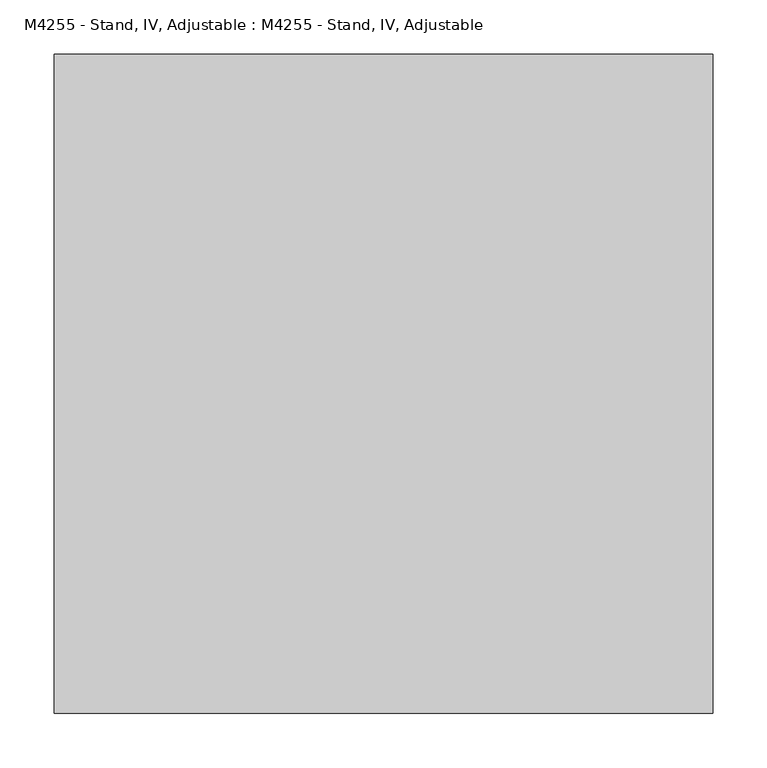
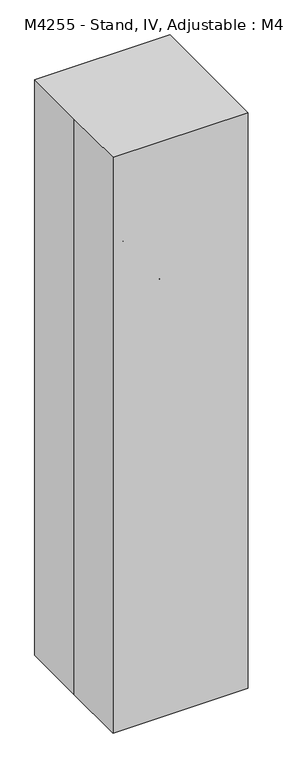
"""IFC4 building model written with IfcOpenShell, lengths in millimetres: proxy geometry, M4255 - Stand, IV, Adjustable : M4255 - Stand, IV, Adjustable."""

from ifc_helpers import new_model, si_unit, point, frame, frame_2d, origin, origin_with_axes, origin_2d, place, context, project, spatial, polyline, circle_curve, ellipse_curve, trimmed, segment, composite_curve, outline, extrude, source, transform, mapped, element, save
from ifc_brep_helpers import plane_surface, cylinder_surface, revolved_surface, advanced_brep


def m4255_stand_iv_adjustable_m4255_stand_iv_adjustable_6bb1da7f(model_context):
    return source(origin(), model_context, "Body", "SolidModel", [
        extrude(outline(composite_curve([segment(trimmed(circle_curve(frame_2d((25.4, -203.0677083)), 25.4), [point((25.4, -228.4677083))], [point((25.4, -177.6677083))], False, "CARTESIAN"), True, "CONTINUOUS"), segment(trimmed(circle_curve(frame_2d((25.4, -203.0677083)), 25.4), [point((25.4, -177.6677083))], [point((25.4, -228.4677083))], False, "CARTESIAN"), True, "CONTINUOUS")], self_intersect=False)), frame((0.0, 9.525, 0.0), z_axis=(0.0, 1.0, 0.0), x_axis=(0.0, 0.0, 1.0)), (0.0, 0.0, 1.0), 9.525),
        extrude(outline(composite_curve([segment(trimmed(circle_curve(frame_2d((25.4, -203.0677083)), 25.4), [point((25.4, -177.6677083))], [point((25.4, -228.4677083))], False, "CARTESIAN"), True, "CONTINUOUS"), segment(trimmed(circle_curve(frame_2d((25.4, -203.0677083)), 25.4), [point((25.4, -228.4677083))], [point((25.4, -177.6677083))], False, "CARTESIAN"), True, "CONTINUOUS")], self_intersect=False)), frame((0.0, -19.05, 0.0), z_axis=(0.0, 1.0, 0.0), x_axis=(0.0, 0.0, 1.0)), (0.0, 0.0, 1.0), 9.525),
        extrude(outline(composite_curve([segment(trimmed(circle_curve(frame_2d((203.0677083, 25.4)), 25.4), [point((228.4677083, 25.4))], [point((177.6677083, 25.4))], False, "CARTESIAN"), True, "CONTINUOUS"), segment(trimmed(circle_curve(frame_2d((203.0677083, 25.4)), 25.4), [point((177.6677083, 25.4))], [point((228.4677083, 25.4))], False, "CARTESIAN"), True, "CONTINUOUS")], self_intersect=False)), frame((9.525, 0.0, 0.0), z_axis=(1.0, 0.0, 0.0), x_axis=(0.0, 1.0, 0.0)), (0.0, 0.0, 1.0), 9.525),
        extrude(outline(composite_curve([segment(trimmed(circle_curve(frame_2d((203.0677083, 25.4)), 25.4), [point((177.6677083, 25.4))], [point((228.4677083, 25.4))], False, "CARTESIAN"), True, "CONTINUOUS"), segment(trimmed(circle_curve(frame_2d((203.0677083, 25.4)), 25.4), [point((228.4677083, 25.4))], [point((177.6677083, 25.4))], False, "CARTESIAN"), True, "CONTINUOUS")], self_intersect=False)), frame((-19.05, 0.0, 0.0), z_axis=(1.0, 0.0, 0.0), x_axis=(0.0, 1.0, 0.0)), (0.0, 0.0, 1.0), 9.525),
        extrude(outline(composite_curve([segment(trimmed(circle_curve(frame_2d((25.4, 203.2661458)), 25.4), [point((25.4, 177.8661458))], [point((25.4, 228.6661458))], False, "CARTESIAN"), True, "CONTINUOUS"), segment(trimmed(circle_curve(frame_2d((25.4, 203.2661458)), 25.4), [point((25.4, 228.6661458))], [point((25.4, 177.8661458))], False, "CARTESIAN"), True, "CONTINUOUS")], self_intersect=False)), frame((0.0, -19.05, 0.0), z_axis=(0.0, 1.0, 0.0), x_axis=(0.0, 0.0, 1.0)), (0.0, 0.0, 1.0), 9.525),
        extrude(outline(composite_curve([segment(trimmed(circle_curve(frame_2d((25.4, 203.2661458)), 25.4), [point((25.4, 177.8661458))], [point((25.4, 228.6661458))], False, "CARTESIAN"), True, "CONTINUOUS"), segment(trimmed(circle_curve(frame_2d((25.4, 203.2661458)), 25.4), [point((25.4, 228.6661458))], [point((25.4, 177.8661458))], False, "CARTESIAN"), True, "CONTINUOUS")], self_intersect=False)), frame((0.0, 9.525, 0.0), z_axis=(0.0, 1.0, 0.0), x_axis=(0.0, 0.0, 1.0)), (0.0, 0.0, 1.0), 9.525),
        extrude(outline(composite_curve([segment(trimmed(circle_curve(frame_2d((0.0, 211.534375)), 8.4666667), [point((-8.4666667, 211.534375))], [point((8.4666667, 211.534375))], False, "CARTESIAN"), True, "CONTINUOUS"), segment(trimmed(circle_curve(frame_2d((0.0, 211.534375)), 8.4666667), [point((8.4666667, 211.534375))], [point((-8.4666667, 211.534375))], False, "CARTESIAN"), True, "CONTINUOUS")], self_intersect=False)), frame((0.0, 0.0, 25.4), z_axis=(0.0, 0.0, 1.0), x_axis=(1.0, 0.0, 0.0)), (0.0, 0.0, 1.0), 25.4),
        extrude(outline(composite_curve([segment(trimmed(circle_curve(frame_2d((203.0677083, 25.4)), 16.9333333), [point((186.134375, 25.4))], [point((220.0010417, 25.4))], False, "CARTESIAN"), True, "CONTINUOUS"), segment(trimmed(circle_curve(frame_2d((203.0677083, 25.4)), 16.9333333), [point((220.0010417, 25.4))], [point((186.134375, 25.4))], False, "CARTESIAN"), True, "CONTINUOUS")], self_intersect=False)), frame((-9.525, 0.0, 0.0), z_axis=(1.0, 0.0, 0.0), x_axis=(0.0, 1.0, 0.0)), (0.0, 0.0, 1.0), 19.05),
        extrude(outline(composite_curve([segment(trimmed(circle_curve(frame_2d((211.7328125, 0.0)), 8.4666667), [point((211.7328125, 8.4666667))], [point((211.7328125, -8.4666667))], False, "CARTESIAN"), True, "CONTINUOUS"), segment(trimmed(circle_curve(frame_2d((211.7328125, 0.0)), 8.4666667), [point((211.7328125, -8.4666667))], [point((211.7328125, 8.4666667))], False, "CARTESIAN"), True, "CONTINUOUS")], self_intersect=False)), frame((0.0, 0.0, 25.4), z_axis=(0.0, 0.0, 1.0), x_axis=(1.0, 0.0, 0.0)), (0.0, 0.0, 1.0), 25.4),
        extrude(outline(composite_curve([segment(trimmed(circle_curve(frame_2d((25.4, 203.2661458)), 16.9333333), [point((25.4, 186.3328125))], [point((25.4, 220.1994792))], False, "CARTESIAN"), True, "CONTINUOUS"), segment(trimmed(circle_curve(frame_2d((25.4, 203.2661458)), 16.9333333), [point((25.4, 220.1994792))], [point((25.4, 186.3328125))], False, "CARTESIAN"), True, "CONTINUOUS")], self_intersect=False)), frame((0.0, -9.525, 0.0), z_axis=(0.0, 1.0, 0.0), x_axis=(0.0, 0.0, 1.0)), (0.0, 0.0, 1.0), 19.05),
        extrude(outline(composite_curve([segment(trimmed(circle_curve(frame_2d((-211.534375, 0.0)), 8.4666667), [point((-211.534375, -8.4666667))], [point((-211.534375, 8.4666667))], False, "CARTESIAN"), True, "CONTINUOUS"), segment(trimmed(circle_curve(frame_2d((-211.534375, 0.0)), 8.4666667), [point((-211.534375, 8.4666667))], [point((-211.534375, -8.4666667))], False, "CARTESIAN"), True, "CONTINUOUS")], self_intersect=False)), frame((0.0, 0.0, 25.4), z_axis=(0.0, 0.0, 1.0), x_axis=(1.0, 0.0, 0.0)), (0.0, 0.0, 1.0), 25.4),
        extrude(outline(composite_curve([segment(trimmed(circle_curve(frame_2d((25.4, -203.0677083)), 16.9333333), [point((25.4, -186.134375))], [point((25.4, -220.0010417))], False, "CARTESIAN"), True, "CONTINUOUS"), segment(trimmed(circle_curve(frame_2d((25.4, -203.0677083)), 16.9333333), [point((25.4, -220.0010417))], [point((25.4, -186.134375))], False, "CARTESIAN"), True, "CONTINUOUS")], self_intersect=False)), frame((0.0, -9.525, 0.0), z_axis=(0.0, 1.0, 0.0), x_axis=(0.0, 0.0, 1.0)), (0.0, 0.0, 1.0), 19.05),
        extrude(outline(composite_curve([segment(trimmed(circle_curve(frame_2d((-203.2165365, 25.4)), 25.4), [point((-177.8165365, 25.4))], [point((-228.6165365, 25.4))], False, "CARTESIAN"), True, "CONTINUOUS"), segment(trimmed(circle_curve(frame_2d((-203.2165365, 25.4)), 25.4), [point((-228.6165365, 25.4))], [point((-177.8165365, 25.4))], False, "CARTESIAN"), True, "CONTINUOUS")], self_intersect=False)), frame((-19.05, 0.0, 0.0), z_axis=(1.0, 0.0, 0.0), x_axis=(0.0, 1.0, 0.0)), (0.0, 0.0, 1.0), 9.525),
        extrude(outline(composite_curve([segment(trimmed(circle_curve(frame_2d((-203.2165365, 25.4)), 25.4), [point((-177.8165365, 25.4))], [point((-228.6165365, 25.4))], False, "CARTESIAN"), True, "CONTINUOUS"), segment(trimmed(circle_curve(frame_2d((-203.2165365, 25.4)), 25.4), [point((-228.6165365, 25.4))], [point((-177.8165365, 25.4))], False, "CARTESIAN"), True, "CONTINUOUS")], self_intersect=False)), frame((9.525, 0.0, 0.0), z_axis=(1.0, 0.0, 0.0), x_axis=(0.0, 1.0, 0.0)), (0.0, 0.0, 1.0), 9.525),
        extrude(outline(composite_curve([segment(trimmed(circle_curve(frame_2d((0.0, -211.6832031)), 8.4666667), [point((8.4666667, -211.6832031))], [point((-8.4666667, -211.6832031))], False, "CARTESIAN"), True, "CONTINUOUS"), segment(trimmed(circle_curve(frame_2d((0.0, -211.6832031)), 8.4666667), [point((-8.4666667, -211.6832031))], [point((8.4666667, -211.6832031))], False, "CARTESIAN"), True, "CONTINUOUS")], self_intersect=False)), frame((0.0, 0.0, 25.4), z_axis=(0.0, 0.0, 1.0), x_axis=(1.0, 0.0, 0.0)), (0.0, 0.0, 1.0), 25.4),
        extrude(outline(composite_curve([segment(trimmed(circle_curve(frame_2d((-203.2165365, 25.4)), 16.9333333), [point((-186.2832031, 25.4))], [point((-220.1498698, 25.4))], False, "CARTESIAN"), True, "CONTINUOUS"), segment(trimmed(circle_curve(frame_2d((-203.2165365, 25.4)), 16.9333333), [point((-220.1498698, 25.4))], [point((-186.2832031, 25.4))], False, "CARTESIAN"), True, "CONTINUOUS")], self_intersect=False)), frame((-9.525, 0.0, 0.0), z_axis=(1.0, 0.0, 0.0), x_axis=(0.0, 1.0, 0.0)), (0.0, 0.0, 1.0), 19.05),
        extrude(outline(polyline([(-228.6, 63.5), (-192.6166667, 63.5), (-44.45, 25.4), (44.45, 25.4), (192.6166667, 63.5), (228.6, 63.5), (228.6, 50.8), (193.8216772, 50.8), (45.6550105, 12.7), (-45.6550105, 12.7), (-193.8216772, 50.8), (-228.6, 50.8), (-228.6, 63.5)])), frame((-19.05, 0.0, 0.0), z_axis=(1.0, 0.0, 0.0), x_axis=(0.0, 1.0, 0.0)), (0.0, 0.0, 1.0), 38.1),
        extrude(outline(composite_curve([segment(trimmed(circle_curve(origin_2d(), 12.7), [point((-12.7, 0.0))], [point((12.7, 0.0))], False, "CARTESIAN"), True, "CONTINUOUS"), segment(trimmed(circle_curve(origin_2d(), 12.7), [point((12.7, 0.0))], [point((-12.7, 0.0))], False, "CARTESIAN"), True, "CONTINUOUS")], self_intersect=False)), frame((0.0, 0.0, 12.7), z_axis=(0.0, 0.0, 1.0), x_axis=(1.0, 0.0, 0.0)), (0.0, 0.0, 1.0), 1473.2),
        extrude(outline(polyline([(63.5, -228.6), (50.8, -228.6), (50.8, -193.8216772), (12.7, -45.6550105), (12.7, 45.6550105), (50.8, 193.8216772), (50.8, 228.6), (63.5, 228.6), (63.5, 192.6166667), (25.4, 44.45), (25.4, -44.45), (63.5, -192.6166667), (63.5, -228.6)])), frame((0.0, -19.05, 0.0), z_axis=(0.0, 1.0, 0.0), x_axis=(0.0, 0.0, 1.0)), (0.0, 0.0, 1.0), 38.1),
        extrude(outline(composite_curve([segment(trimmed(circle_curve(origin_2d(), 6.35), [point((-6.35, 0.0))], [point((6.35, 0.0))], False, "CARTESIAN"), True, "CONTINUOUS"), segment(trimmed(circle_curve(origin_2d(), 6.35), [point((6.35, 0.0))], [point((-6.35, 0.0))], False, "CARTESIAN"), True, "CONTINUOUS")], self_intersect=False)), frame((0.0, 0.0, 1485.9), z_axis=(0.0, 0.0, 1.0), x_axis=(1.0, 0.0, 0.0)), (0.0, 0.0, 1.0), 495.3),
        advanced_brep(
        [(0.0, 117.4754217, 1962.0563468), (0.0, 111.8996536, 1954.3338837), (0.0, 135.0535266, 1949.3646141), (0.0, 129.4777585, 1941.6421511), (0.0, 139.7, 1973.2625), (0.0, 139.7, 1963.7375), (0.0, -139.7, 1963.7375), (0.0, -139.7, 1973.2625), (0.0, -129.4777585, 1941.6421511), (0.0, -135.0535266, 1949.3646141), (0.0, -117.4754217, 1962.0563468), (0.0, -111.8996536, 1954.3338837)],
        [
            (0, 1, circle_curve(frame((0.0, 114.6875376, 1958.1951153), z_axis=(0.0, -0.8107572744902805, 0.5853824748496423), x_axis=(0.0, -0.5853824748496423, -0.8107572744902805)), 4.7625)),
            (1, 0, circle_curve(frame((0.0, 114.6875376, 1958.1951153), z_axis=(0.0, -0.8107572744902805, 0.5853824748496423), x_axis=(0.0, -0.5853824748496423, -0.8107572744902805)), 4.7625)),
            (0, 2),
            (2, 3, circle_curve(frame((0.0, 132.2656426, 1945.5033826), z_axis=(0.0, -0.8107572744902805, 0.5853824748496423), x_axis=(0.0, -0.5853824748496423, -0.8107572744902805)), 4.7625)),
            (3, 1),
            (3, 2, circle_curve(frame((0.0, 132.2656426, 1945.5033826), z_axis=(0.0, -0.8107572744902805, 0.5853824748496423), x_axis=(0.0, -0.5853824748496423, -0.8107572744902805)), 4.7625)),
            (4, 3, circle_curve(frame((0.0, 139.7, 1955.8), z_axis=(-1.0, 0.0, 0.0), x_axis=(0.0, -0.5853824748496388, -0.810757274490283)), 17.4625)),
            (2, 5, circle_curve(frame((0.0, 139.7, 1955.8), z_axis=(1.0, 0.0, 0.0), x_axis=(0.0, -0.5853824748496388, -0.810757274490283)), 7.9375)),
            (5, 4, circle_curve(frame((0.0, 139.7, 1968.5), z_axis=(0.0, 1.0, 0.0), x_axis=(0.0, 0.0, 1.0)), 4.7625)),
            (4, 5, circle_curve(frame((0.0, 139.7, 1968.5), z_axis=(0.0, 1.0, 0.0), x_axis=(0.0, 0.0, 1.0)), 4.7625)),
            (5, 6),
            (6, 7, circle_curve(frame((0.0, -139.7, 1968.5), z_axis=(0.0, 1.0, 0.0), x_axis=(0.0, 0.0, 1.0)), 4.7625)),
            (7, 4),
            (7, 6, circle_curve(frame((0.0, -139.7, 1968.5), z_axis=(0.0, 1.0, 0.0), x_axis=(0.0, 0.0, 1.0)), 4.7625)),
            (8, 7, circle_curve(frame((0.0, -139.7, 1955.8), z_axis=(-1.0, 0.0, 0.0), x_axis=(0.0, 0.0, 1.0)), 17.4625)),
            (6, 9, circle_curve(frame((0.0, -139.7, 1955.8), z_axis=(1.0, 0.0, 0.0), x_axis=(0.0, 0.0, 1.0)), 7.9375)),
            (9, 8, circle_curve(frame((0.0, -132.2656426, 1945.5033826), z_axis=(0.0, -0.8107572744906172, -0.5853824748491758), x_axis=(0.0, 0.5853824748491758, -0.8107572744906172)), 4.7625)),
            (8, 9, circle_curve(frame((0.0, -132.2656426, 1945.5033826), z_axis=(0.0, -0.8107572744895747, -0.5853824748506197), x_axis=(0.0, 0.5853824748506197, -0.8107572744895747)), 4.7625)),
            (10, 11, circle_curve(frame((0.0, -114.6875376, 1958.1951153), z_axis=(0.0, 0.8107572744898955, 0.5853824748501754), x_axis=(0.0, 0.5853824748501754, -0.8107572744898955)), 4.7625)),
            (11, 10, circle_curve(frame((0.0, -114.6875376, 1958.1951153), z_axis=(0.0, 0.8107572744898955, 0.5853824748501754), x_axis=(0.0, 0.5853824748501754, -0.8107572744898955)), 4.7625)),
            (9, 10),
            (11, 8),
        ],
        [
            plane_surface(frame((266.7, 114.6875376, 1958.1951153), z_axis=(0.0, -0.8107572744902805, 0.5853824748496423), x_axis=(-1.0, 0.0, 0.0))),
            cylinder_surface(frame((0.0, 114.6875376, 1958.1951153), z_axis=(0.0, -0.8107572744902805, 0.5853824748496423), x_axis=(0.0, -0.5853824748496423, -0.8107572744902805)), 4.7625),
            revolved_surface(trimmed(ellipse_curve(frame((0.0, 132.2656426, 1945.5033826), z_axis=(0.0, -0.810757274490283, 0.5853824748496388), x_axis=(0.0, -0.5853824748496388, -0.810757274490283)), 4.7625, 4.7625), [point((0.0, 135.0535266, 1949.3646141))], [point((0.0, 129.4777585, 1941.6421511))], True, "CARTESIAN"), (266.7, 139.7, 1955.8), (1.0, 0.0, 0.0)),
            revolved_surface(trimmed(ellipse_curve(frame((0.0, 132.2656426, 1945.5033826), z_axis=(0.0, -0.810757274490283, 0.5853824748496388), x_axis=(0.0, -0.5853824748496388, -0.810757274490283)), 4.7625, 4.7625), [point((0.0, 129.4777585, 1941.6421511))], [point((0.0, 135.0535266, 1949.3646141))], True, "CARTESIAN"), (266.7, 139.7, 1955.8), (1.0, 0.0, 0.0)),
            cylinder_surface(frame((0.0, 139.7, 1968.5), z_axis=(0.0, 1.0, 0.0), x_axis=(0.0, 0.0, 1.0)), 4.7625),
            revolved_surface(trimmed(ellipse_curve(frame((0.0, -139.7, 1968.5), z_axis=(0.0, 1.0, 0.0), x_axis=(0.0, 0.0, 1.0)), 4.7625, 4.7625), [point((0.0, -139.7, 1963.7375))], [point((0.0, -139.7, 1973.2625))], True, "CARTESIAN"), (266.7, -139.7, 1955.8), (1.0, 0.0, 0.0)),
            revolved_surface(trimmed(ellipse_curve(frame((0.0, -139.7, 1968.5), z_axis=(0.0, 1.0, 0.0), x_axis=(0.0, 0.0, 1.0)), 4.7625, 4.7625), [point((0.0, -139.7, 1973.2625))], [point((0.0, -139.7, 1963.7375))], True, "CARTESIAN"), (266.7, -139.7, 1955.8), (1.0, 0.0, 0.0)),
            plane_surface(frame((266.7, -114.6875376, 1958.1951153), z_axis=(0.0, 0.8107572744898955, 0.5853824748501754), x_axis=(-1.0, 0.0, 0.0))),
            cylinder_surface(frame((0.0, -132.2656426, 1945.5033826), z_axis=(0.0, -0.8107572744898955, -0.5853824748501754), x_axis=(0.0, 0.5853824748501754, -0.8107572744898955)), 4.7625),
        ],
        [
            (0, [[1, 2]]),
            (1, [[-1, 3, 4, 5]]),
            (1, [[-2, -5, 6, -3]]),
            (2, [[7, -4, 8, 9]]),
            (3, [[-8, -6, -7, 10]]),
            (4, [[-9, 11, 12, 13]]),
            (4, [[-10, -13, 14, -11]]),
            (5, [[15, -12, 16, 17]]),
            (6, [[-16, -14, -15, 18]]),
            (7, [[19, 20]]),
            (8, [[-17, 21, -20, 22]]),
            (8, [[-18, -22, -19, -21]]),
        ],
    ),
        advanced_brep(
        [(-117.4754217, 0.0, 1962.0563468), (-111.8996536, 0.0, 1954.3338837), (-135.0535266, 0.0, 1949.3646141), (-129.4777585, 0.0, 1941.6421511), (-139.7, 0.0, 1973.2625), (-139.7, 0.0, 1963.7375), (139.7, 0.0, 1963.7375), (139.7, 0.0, 1973.2625), (129.4777585, 0.0, 1941.6421511), (135.0535266, 0.0, 1949.3646141), (117.4754217, 0.0, 1962.0563468), (111.8996536, 0.0, 1954.3338837)],
        [
            (0, 1, circle_curve(frame((-114.6875376, 0.0, 1958.1951153), z_axis=(0.810757274490287, 0.0, 0.5853824748496333), x_axis=(0.5853824748496333, 0.0, -0.810757274490287)), 4.7625)),
            (1, 0, circle_curve(frame((-114.6875376, 0.0, 1958.1951153), z_axis=(0.810757274490287, 0.0, 0.5853824748496333), x_axis=(0.5853824748496333, 0.0, -0.810757274490287)), 4.7625)),
            (0, 2),
            (2, 3, circle_curve(frame((-132.2656426, 0.0, 1945.5033826), z_axis=(0.810757274490287, 0.0, 0.5853824748496333), x_axis=(0.5853824748496333, 0.0, -0.810757274490287)), 4.7625)),
            (3, 1),
            (3, 2, circle_curve(frame((-132.2656426, 0.0, 1945.5033826), z_axis=(0.810757274490287, 0.0, 0.5853824748496333), x_axis=(0.5853824748496333, 0.0, -0.810757274490287)), 4.7625)),
            (4, 3, circle_curve(frame((-139.7, 0.0, 1955.8), z_axis=(0.0, -1.0, 0.0), x_axis=(0.5853824748496308, 0.0, -0.8107572744902887)), 17.4625)),
            (2, 5, circle_curve(frame((-139.7, 0.0, 1955.8), z_axis=(0.0, 1.0, 0.0), x_axis=(0.5853824748496308, 0.0, -0.8107572744902887)), 7.9375)),
            (5, 4, circle_curve(frame((-139.7, 0.0, 1968.5), z_axis=(-1.0, 0.0, 0.0), x_axis=(0.0, 0.0, 1.0)), 4.7625)),
            (4, 5, circle_curve(frame((-139.7, 0.0, 1968.5), z_axis=(-1.0, 0.0, 0.0), x_axis=(0.0, 0.0, 1.0)), 4.7625)),
            (5, 6),
            (6, 7, circle_curve(frame((139.7, 0.0, 1968.5), z_axis=(-1.0, 0.0, 0.0), x_axis=(0.0, 0.0, 1.0)), 4.7625)),
            (7, 4),
            (7, 6, circle_curve(frame((139.7, 0.0, 1968.5), z_axis=(-1.0, 0.0, 0.0), x_axis=(0.0, 0.0, 1.0)), 4.7625)),
            (8, 7, circle_curve(frame((139.7, 0.0, 1955.8), z_axis=(0.0, -1.0, 0.0), x_axis=(0.0, 0.0, 1.0)), 17.4625)),
            (6, 9, circle_curve(frame((139.7, 0.0, 1955.8), z_axis=(0.0, 1.0, 0.0), x_axis=(0.0, 0.0, 1.0)), 7.9375)),
            (9, 8, circle_curve(frame((132.2656426, 0.0, 1945.5033826), z_axis=(0.8107572744899008, 0.0, -0.585382474850168), x_axis=(-0.585382474850168, 0.0, -0.8107572744899008)), 4.7625)),
            (8, 9, circle_curve(frame((132.2656426, 0.0, 1945.5033826), z_axis=(0.8107572744899039, 0.0, -0.5853824748501637), x_axis=(-0.5853824748501637, 0.0, -0.8107572744899039)), 4.7625)),
            (10, 11, circle_curve(frame((114.6875376, 0.0, 1958.1951153), z_axis=(-0.8107572744899005, 0.0, 0.5853824748501685), x_axis=(-0.5853824748501685, 0.0, -0.8107572744899005)), 4.7625)),
            (11, 10, circle_curve(frame((114.6875376, 0.0, 1958.1951153), z_axis=(-0.8107572744899005, 0.0, 0.5853824748501685), x_axis=(-0.5853824748501685, 0.0, -0.8107572744899005)), 4.7625)),
            (9, 10),
            (11, 8),
        ],
        [
            plane_surface(frame((-114.6875376, 215.9, 1958.1951153), z_axis=(0.810757274490287, 0.0, 0.5853824748496333), x_axis=(0.0, -1.0, 0.0))),
            cylinder_surface(frame((-114.6875376, 0.0, 1958.1951153), z_axis=(0.810757274490287, 0.0, 0.5853824748496333), x_axis=(0.5853824748496333, 0.0, -0.810757274490287)), 4.7625),
            revolved_surface(trimmed(ellipse_curve(frame((-132.2656426, 0.0, 1945.5033826), z_axis=(0.8107572744902886, 0.0, 0.585382474849631), x_axis=(0.585382474849631, 0.0, -0.8107572744902886)), 4.7625, 4.7625), [point((-135.0535266, 0.0, 1949.3646141))], [point((-129.4777585, 0.0, 1941.6421511))], True, "CARTESIAN"), (-139.7, 215.9, 1955.8), (0.0, 1.0, 0.0)),
            revolved_surface(trimmed(ellipse_curve(frame((-132.2656426, 0.0, 1945.5033826), z_axis=(0.8107572744902886, 0.0, 0.585382474849631), x_axis=(0.585382474849631, 0.0, -0.8107572744902886)), 4.7625, 4.7625), [point((-129.4777585, 0.0, 1941.6421511))], [point((-135.0535266, 0.0, 1949.3646141))], True, "CARTESIAN"), (-139.7, 215.9, 1955.8), (0.0, 1.0, 0.0)),
            cylinder_surface(frame((-139.7, 0.0, 1968.5), z_axis=(-1.0, 0.0, 0.0), x_axis=(0.0, 0.0, 1.0)), 4.7625),
            revolved_surface(trimmed(ellipse_curve(frame((139.7, 0.0, 1968.5), z_axis=(-1.0, 0.0, 0.0), x_axis=(0.0, 0.0, 1.0)), 4.7625, 4.7625), [point((139.7, 0.0, 1963.7375))], [point((139.7, 0.0, 1973.2625))], True, "CARTESIAN"), (139.7, 215.9, 1955.8), (0.0, 1.0, 0.0)),
            revolved_surface(trimmed(ellipse_curve(frame((139.7, 0.0, 1968.5), z_axis=(-1.0, 0.0, 0.0), x_axis=(0.0, 0.0, 1.0)), 4.7625, 4.7625), [point((139.7, 0.0, 1973.2625))], [point((139.7, 0.0, 1963.7375))], True, "CARTESIAN"), (139.7, 215.9, 1955.8), (0.0, 1.0, 0.0)),
            plane_surface(frame((114.6875376, 215.9, 1958.1951153), z_axis=(-0.8107572744899004, 0.0, 0.5853824748501686), x_axis=(0.0, -1.0, 0.0))),
            cylinder_surface(frame((132.2656426, 0.0, 1945.5033826), z_axis=(0.8107572744899005, 0.0, -0.5853824748501685), x_axis=(-0.5853824748501685, 0.0, -0.8107572744899005)), 4.7625),
        ],
        [
            (0, [[1, 2]]),
            (1, [[-1, 3, 4, 5]]),
            (1, [[-2, -5, 6, -3]]),
            (2, [[7, -4, 8, 9]]),
            (3, [[-8, -6, -7, 10]]),
            (4, [[-9, 11, 12, 13]]),
            (4, [[-10, -13, 14, -11]]),
            (5, [[15, -12, 16, 17]]),
            (6, [[-16, -14, -15, 18]]),
            (7, [[19, 20]]),
            (8, [[-17, 21, -20, 22]]),
            (8, [[-18, -22, -19, -21]]),
        ],
    ),
        extrude(outline(polyline([(-304.8, 304.8), (304.8, 304.8), (304.8, -304.8), (-304.8, -304.8), (-304.8, 0.0), (-304.8, 304.8)])), origin_with_axes(), (0.0, 0.0, 1.0), 2743.2),
    ])


if __name__ == "__main__":
    model = new_model("IFC4")
    model_context = context("Model", 3, world=origin())
    ifc_project = project(units=[si_unit("LENGTHUNIT", "METRE", prefix="MILLI")], contexts=[model_context])
    site = spatial("IfcSite", under=ifc_project)
    building = spatial("IfcBuilding", under=site)
    placement = place(None, origin())
    m4255_stand_iv_adjustable_m4255_stand_iv_adjustable_shape = m4255_stand_iv_adjustable_m4255_stand_iv_adjustable_6bb1da7f(model_context)
    element("IfcBuildingElementProxy", 1, Name="M4255 - Stand, IV, Adjustable : M4255 - Stand, IV, Adjustable", ObjectType="M4255 - Stand, IV, Adjustable : M4255 - Stand, IV, Adjustable", at=placement, inside=building, context=model_context, shape_type="MappedRepresentation", body=[
        mapped(m4255_stand_iv_adjustable_m4255_stand_iv_adjustable_shape, transform((0.0, 0.0, 0.0), x_axis=(1.0, 0.0, 0.0), y_axis=(0.0, 1.0, 0.0), z_axis=(0.0, 0.0, 1.0))),
    ])
    save(model, "model.ifc")
